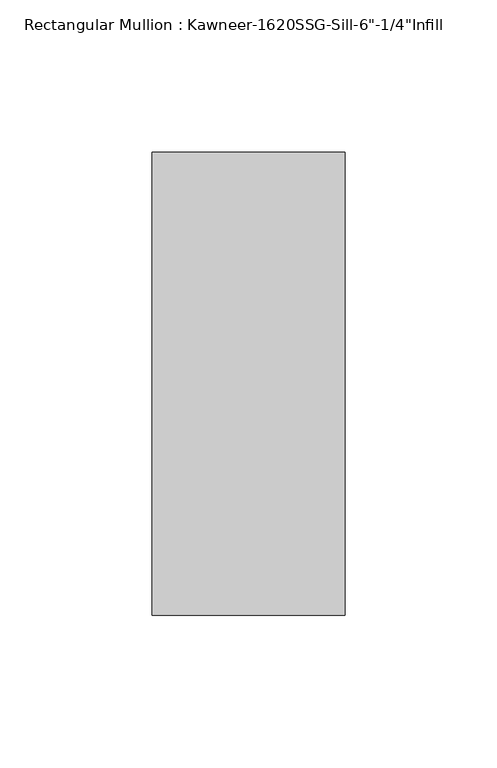
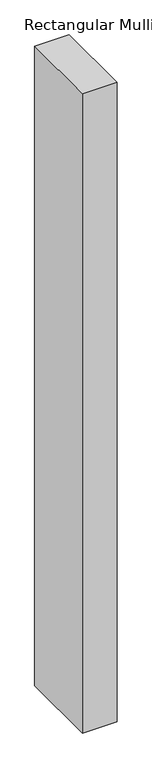
"""IFC4 building model written with IfcOpenShell, lengths in millimetres: member geometry."""

from ifc_helpers import new_model, si_unit, frame, origin, place, context, project, spatial, polyline, outline, extrude, source, transform, mapped, element, save


def member_081bc022(model_context):
    return source(origin(), model_context, "Body", "SweptSolid", [
        extrude(outline(polyline([(-63.5, 28.575), (0.0, 28.575), (0.0, -123.825), (-63.5, -123.825), (-63.5, 28.575)])), frame((0.0, 0.0, -1244.1304728), z_axis=(0.0, 0.0, 1.0), x_axis=(1.0, 0.0, 0.0)), (0.0, 0.0, 1.0), 1244.1304728),
    ])


if __name__ == "__main__":
    model = new_model("IFC4")
    model_context = context("Model", 3, world=origin())
    ifc_project = project(units=[si_unit("LENGTHUNIT", "METRE", prefix="MILLI")], contexts=[model_context])
    site = spatial("IfcSite", under=ifc_project)
    building = spatial("IfcBuilding", under=site)
    placement = place(None, origin())
    member_shape = member_081bc022(model_context)
    element("IfcMember", 1, ObjectType="Rectangular Mullion : Kawneer-1620SSG-Sill-6\"-1/4\"Infill", at=placement, inside=building, context=model_context, shape_type="MappedRepresentation", body=[
        mapped(member_shape, transform((0.0, 0.0, 0.0), x_axis=(1.0, 0.0, 0.0), y_axis=(0.0, 1.0, 0.0), z_axis=(0.0, 0.0, 1.0))),
    ])
    save(model, "model.ifc")
